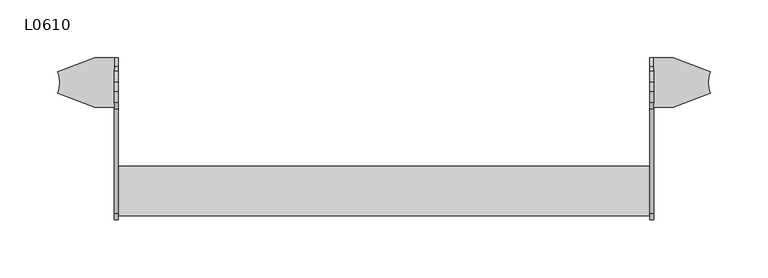
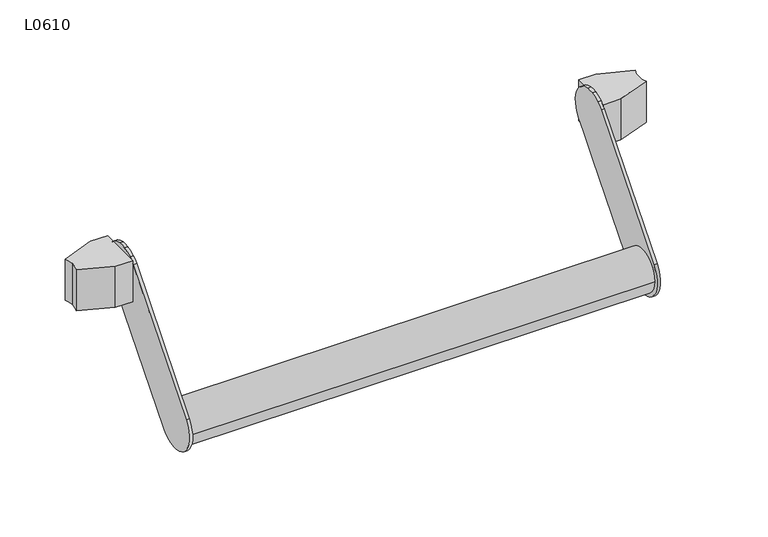
"""IFC4 building model written with IfcOpenShell, lengths in millimetres: proxy geometry, L0610."""

from ifc_helpers import new_model, si_unit, point, frame, frame_2d, origin, place, context, project, spatial, polyline, circle_curve, trimmed, segment, composite_curve, outline, extrude, source, transform, mapped, element, save
from ifc_brep_helpers import plane_surface, cylinder_surface, advanced_brep


def l0610_80b217f6(model_context):
    return source(origin(), model_context, "Body", "SolidModel", [
        extrude(outline(composite_curve([segment(polyline([(537.2841298, -17.9998512), (537.2841298, 25.0001488), (554.3249298, 25.0001488), (586.3669958, 12.8789725)]), True, "CONTINUOUS"), segment(trimmed(circle_curve(frame_2d((608.7841247, 3.5001488)), 24.3), [point((586.3669958, 12.8789725))], [point((584.4841247, 3.5001488))], True, "CARTESIAN"), True, "CONTINUOUS"), segment(trimmed(circle_curve(frame_2d((608.7841247, 3.5001488)), 24.3), [point((584.4841247, 3.5001488))], [point((586.3669958, -5.8786749))], True, "CARTESIAN"), True, "CONTINUOUS"), segment(polyline([(586.3669958, -5.8786749), (554.3249298, -17.9998512), (537.2841298, -17.9998512)]), True, "CONTINUOUS")], self_intersect=False)), frame((0.0, 0.0, -21.5), z_axis=(0.0, 0.0, 1.0), x_axis=(1.0, 0.0, 0.0)), (0.0, 0.0, 1.0), 43.0),
        extrude(outline(composite_curve([segment(polyline([(69.7954674, -17.9998512), (52.7546674, -17.9998512), (20.7126014, -5.8786749)]), True, "CONTINUOUS"), segment(trimmed(circle_curve(frame_2d((-1.7045275, 3.5001488)), 24.3), [point((20.7126014, -5.8786749))], [point((22.5954725, 3.5001488))], True, "CARTESIAN"), True, "CONTINUOUS"), segment(trimmed(circle_curve(frame_2d((-1.7045275, 3.5001488)), 24.3), [point((22.5954725, 3.5001488))], [point((20.7126014, 12.8789725))], True, "CARTESIAN"), True, "CONTINUOUS"), segment(polyline([(20.7126014, 12.8789725), (52.7546674, 25.0001488), (69.7954674, 25.0001488), (69.7954674, -17.9998512)]), True, "CONTINUOUS")], self_intersect=False)), frame((0.0, 0.0, -21.5), z_axis=(0.0, 0.0, 1.0), x_axis=(1.0, 0.0, 0.0)), (0.0, 0.0, 1.0), 43.0),
        advanced_brep(
        [(534.0841023, -71.4170946, -122.0320182), (534.0841023, -109.7540265, -89.9334299), (534.0841023, -19.1532386, 18.0674174), (534.0841023, -13.564759, 23.0001302), (534.0841023, -4.0000184, 26.6780861), (534.0841023, 4.0000533, 26.678085), (534.0841023, 13.5647929, 23.0001265), (534.0841023, 17.5001651, 19.8536704), (534.0841023, 19.1532686, -14.0675085), (534.0841023, 11.6596821, -23.0002552), (534.0841023, 4.0001362, -32.1309487), (534.0841023, -4.000061, -41.6673923), (537.2841298, -71.4170946, -122.0320182), (537.2841298, -4.000061, -41.6673923), (537.2841298, 4.0672955, -32.0506818), (537.2841298, 11.6596821, -23.0002552), (537.2841298, 19.1532686, -14.0675085), (537.2841298, 17.5001651, 19.8536704), (537.2841298, 13.5647929, 23.0001265), (537.2841298, 4.0000533, 26.678085), (537.2841298, -4.0000184, 26.6780861), (537.2841298, -13.564759, 23.0001302), (537.2841298, -19.1532386, 18.0674174), (537.2841298, -109.7540271, -89.9334352)],
        [
            (0, 1, circle_curve(frame((534.0841023, -90.600769, -106.0008883), z_axis=(-1.0, 0.0, 0.0), x_axis=(0.0, 1.0, 0.0)), 25.0002098)),
            (1, 2),
            (2, 3, circle_curve(frame((534.0841023, 1.42e-05, 1.9999535), z_axis=(-1.0, 0.0, 0.0), x_axis=(0.0, 1.0, 0.0)), 25.0002098)),
            (3, 4, circle_curve(frame((534.0841023, 1.42e-05, 1.9999535), z_axis=(-1.0, 0.0, 0.0), x_axis=(0.0, 1.0, 0.0)), 25.0002098)),
            (4, 5, circle_curve(frame((534.0841023, 1.42e-05, 1.9999535), z_axis=(-1.0, 0.0, 0.0), x_axis=(0.0, 1.0, 0.0)), 25.0002098)),
            (5, 6, circle_curve(frame((534.0841023, 1.42e-05, 1.9999535), z_axis=(-1.0, 0.0, 0.0), x_axis=(0.0, 1.0, 0.0)), 25.0002098)),
            (6, 7, circle_curve(frame((534.0841023, 1.42e-05, 1.9999535), z_axis=(-1.0, 0.0, 0.0), x_axis=(0.0, 1.0, 0.0)), 25.0002098)),
            (7, 8, circle_curve(frame((534.0841023, 1.42e-05, 1.9999535), z_axis=(-1.0, 0.0, 0.0), x_axis=(0.0, 1.0, 0.0)), 25.0002098)),
            (8, 9),
            (9, 10),
            (10, 11),
            (11, 0),
            (12, 13),
            (13, 14),
            (14, 15),
            (15, 16),
            (16, 17, circle_curve(frame((537.2841298, 1.42e-05, 1.9999535), z_axis=(1.0, 0.0, 0.0), x_axis=(0.0, 1.0, 0.0)), 25.0002098)),
            (17, 18, circle_curve(frame((537.2841298, 1.42e-05, 1.9999535), z_axis=(1.0, 0.0, 0.0), x_axis=(0.0, 1.0, 0.0)), 25.0002098)),
            (18, 19, circle_curve(frame((537.2841298, 1.42e-05, 1.9999535), z_axis=(1.0, 0.0, 0.0), x_axis=(0.0, 1.0, 0.0)), 25.0002098)),
            (19, 20, circle_curve(frame((537.2841298, 1.42e-05, 1.9999535), z_axis=(1.0, 0.0, 0.0), x_axis=(0.0, 1.0, 0.0)), 25.0002098)),
            (20, 21, circle_curve(frame((537.2841298, 1.42e-05, 1.9999535), z_axis=(1.0, 0.0, 0.0), x_axis=(0.0, 1.0, 0.0)), 25.0002098)),
            (21, 22, circle_curve(frame((537.2841298, 1.42e-05, 1.9999535), z_axis=(1.0, 0.0, 0.0), x_axis=(0.0, 1.0, 0.0)), 25.0002098)),
            (22, 23),
            (23, 12, circle_curve(frame((537.2841298, -90.600769, -106.0008883), z_axis=(1.0, 0.0, 0.0), x_axis=(0.0, 1.0, 0.0)), 25.0002098)),
            (11, 13),
            (12, 0),
            (10, 14),
            (9, 15),
            (8, 16),
            (7, 17),
            (6, 18),
            (5, 19),
            (4, 20),
            (3, 21),
            (2, 22),
            (1, 23),
        ],
        [
            plane_surface(frame((534.0841023, -65.6005592, -106.0008883), z_axis=(-1.0, 0.0, 0.0), x_axis=(0.0, 0.0, -1.0))),
            plane_surface(frame((537.2841298, -65.6005592, -106.0008883), z_axis=(1.0, 0.0, 0.0), x_axis=(0.0, 0.0, 1.0))),
            plane_surface(frame((534.0841023, -4.000061, -41.6673923), z_axis=(0.0, 0.7661237421052067, -0.6426930929944049), x_axis=(1.0, 0.0, 0.0))),
            plane_surface(frame((534.0841023, 4.0672955, -32.0506818), z_axis=(0.0, 0.7661237421052063, -0.6426930929944054), x_axis=(1.0, 0.0, 0.0))),
            plane_surface(frame((534.0841023, 11.6596821, -23.0002552), z_axis=(0.0, 0.76612771316332, -0.6426883592559786), x_axis=(1.0, 0.0, 0.0))),
            plane_surface(frame((534.0841023, 19.1532686, -14.0675085), z_axis=(0.0, 0.7661237488197741, -0.6426930849902898), x_axis=(1.0, 0.0, 0.0))),
            cylinder_surface(frame((537.2841298, 1.42e-05, 1.9999535), z_axis=(-1.0, 0.0, 0.0), x_axis=(0.0, 1.0, 0.0)), 25.0002098),
            plane_surface(frame((534.0841023, -109.7540271, -89.9334352), z_axis=(0.0, -0.7661236823283201, 0.6426931642515699), x_axis=(1.0, 0.0, 0.0))),
            cylinder_surface(frame((537.2841298, -90.600769, -106.0008883), z_axis=(-1.0, 0.0, 0.0), x_axis=(0.0, 1.0, 0.0)), 25.0002098),
        ],
        [
            (0, [[1, 2, 3, 4, 5, 6, 7, 8, 9, 10, 11, 12]]),
            (1, [[13, 14, 15, 16, 17, 18, 19, 20, 21, 22, 23, 24]]),
            (2, [[-12, 25, -13, 26]]),
            (3, [[-11, 27, -14, -25]]),
            (4, [[-10, 28, -15, -27]]),
            (5, [[-9, 29, -16, -28]]),
            (6, [[-8, 30, -17, -29]]),
            (6, [[-7, 31, -18, -30]]),
            (6, [[-6, 32, -19, -31]]),
            (6, [[-5, 33, -20, -32]]),
            (6, [[-4, 34, -21, -33]]),
            (6, [[-3, 35, -22, -34]]),
            (7, [[-2, 36, -23, -35]]),
            (8, [[-1, -26, -24, -36]]),
        ],
    ),
        advanced_brep(
        [(72.9954948, -71.4170946, -122.0320182), (72.9954948, -4.000061, -41.6673923), (72.9954948, 4.0672955, -32.0506818), (72.9954948, 11.6596069, -23.0001922), (72.9954948, 19.1531934, -14.0674454), (72.9954948, 17.5000899, 19.8537334), (72.9954948, 13.5647177, 23.0001896), (72.9954948, 3.9999781, 26.6781481), (72.9954948, -4.0000936, 26.6781492), (72.9954948, -13.5648342, 23.0001932), (72.9954948, -19.1533138, 18.0674805), (72.9954948, -109.7541023, -89.9333721), (69.7954674, -71.4170946, -122.0320182), (69.7954674, -109.7540265, -89.9334299), (69.7954674, -19.1533138, 18.0674805), (69.7954674, -13.5648342, 23.0001932), (69.7954674, -4.0000936, 26.6781492), (69.7954674, 3.9999781, 26.6781481), (69.7954674, 13.5647177, 23.0001896), (69.7954674, 17.5000899, 19.8537334), (69.7954674, 19.1531934, -14.0674454), (69.7954674, 11.6596069, -23.0001922), (69.7954674, 4.000061, -32.1308856), (69.7954674, -4.000061, -41.6673923)],
        [
            (0, 1),
            (1, 2),
            (2, 3),
            (3, 4),
            (4, 5, circle_curve(frame((72.9954948, -6.1e-05, 2.0000166), z_axis=(1.0, 0.0, 0.0), x_axis=(0.0, 1.0, 0.0)), 25.0002098)),
            (5, 6, circle_curve(frame((72.9954948, -6.1e-05, 2.0000166), z_axis=(1.0, 0.0, 0.0), x_axis=(0.0, 1.0, 0.0)), 25.0002098)),
            (6, 7, circle_curve(frame((72.9954948, -6.1e-05, 2.0000166), z_axis=(1.0, 0.0, 0.0), x_axis=(0.0, 1.0, 0.0)), 25.0002098)),
            (7, 8, circle_curve(frame((72.9954948, -6.1e-05, 2.0000166), z_axis=(1.0, 0.0, 0.0), x_axis=(0.0, 1.0, 0.0)), 25.0002098)),
            (8, 9, circle_curve(frame((72.9954948, -6.1e-05, 2.0000166), z_axis=(1.0, 0.0, 0.0), x_axis=(0.0, 1.0, 0.0)), 25.0002098)),
            (9, 10, circle_curve(frame((72.9954948, -6.1e-05, 2.0000166), z_axis=(1.0, 0.0, 0.0), x_axis=(0.0, 1.0, 0.0)), 25.0002098)),
            (10, 11),
            (11, 0, circle_curve(frame((72.9954948, -90.600769, -106.0008883), z_axis=(1.0, 0.0, 0.0), x_axis=(0.0, 1.0, 0.0)), 25.0002098)),
            (12, 13, circle_curve(frame((69.7954674, -90.600769, -106.0008883), z_axis=(-1.0, 0.0, 0.0), x_axis=(0.0, 1.0, 0.0)), 25.0002098)),
            (13, 14),
            (14, 15, circle_curve(frame((69.7954674, -6.1e-05, 2.0000166), z_axis=(-1.0, 0.0, 0.0), x_axis=(0.0, 1.0, 0.0)), 25.0002098)),
            (15, 16, circle_curve(frame((69.7954674, -6.1e-05, 2.0000166), z_axis=(-1.0, 0.0, 0.0), x_axis=(0.0, 1.0, 0.0)), 25.0002098)),
            (16, 17, circle_curve(frame((69.7954674, -6.1e-05, 2.0000166), z_axis=(-1.0, 0.0, 0.0), x_axis=(0.0, 1.0, 0.0)), 25.0002098)),
            (17, 18, circle_curve(frame((69.7954674, -6.1e-05, 2.0000166), z_axis=(-1.0, 0.0, 0.0), x_axis=(0.0, 1.0, 0.0)), 25.0002098)),
            (18, 19, circle_curve(frame((69.7954674, -6.1e-05, 2.0000166), z_axis=(-1.0, 0.0, 0.0), x_axis=(0.0, 1.0, 0.0)), 25.0002098)),
            (19, 20, circle_curve(frame((69.7954674, -6.1e-05, 2.0000166), z_axis=(-1.0, 0.0, 0.0), x_axis=(0.0, 1.0, 0.0)), 25.0002098)),
            (20, 21),
            (21, 22),
            (22, 23),
            (23, 12),
            (0, 12),
            (23, 1),
            (22, 2),
            (21, 3),
            (20, 4),
            (19, 5),
            (18, 6),
            (17, 7),
            (16, 8),
            (15, 9),
            (14, 10),
            (13, 11),
        ],
        [
            plane_surface(frame((72.9954948, -71.4475708, -122.0683475), z_axis=(1.0, 0.0, 0.0), x_axis=(0.0, 0.6426930929944049, 0.7661237421052067))),
            plane_surface(frame((69.7954674, -71.4475708, -122.0683475), z_axis=(-1.0, 0.0, 0.0), x_axis=(0.0, -0.6426930929944049, -0.7661237421052067))),
            plane_surface(frame((72.9954948, -71.4170946, -122.0320182), z_axis=(0.0, 0.7661237421052067, -0.6426930929944049), x_axis=(-1.0, 0.0, 0.0))),
            plane_surface(frame((72.9954948, -4.000061, -41.6673923), z_axis=(0.0, 0.7661237421052066, -0.642693092994405), x_axis=(-1.0, 0.0, 0.0))),
            plane_surface(frame((72.9954948, 4.000061, -32.1308856), z_axis=(0.0, 0.76612771316332, -0.6426883592559786), x_axis=(-1.0, 0.0, 0.0))),
            plane_surface(frame((72.9954948, 11.6596069, -23.0001922), z_axis=(0.0, 0.7661237488197741, -0.6426930849902898), x_axis=(-1.0, 0.0, 0.0))),
            cylinder_surface(frame((69.7954674, -6.1e-05, 2.0000166), z_axis=(1.0, 0.0, 0.0), x_axis=(0.0, 1.0, 0.0)), 25.0002098),
            plane_surface(frame((72.9954948, -19.1533138, 18.0674805), z_axis=(0.0, -0.7661236823284079, 0.6426931642514652), x_axis=(-1.0, 0.0, 0.0))),
            cylinder_surface(frame((69.7954674, -90.600769, -106.0008883), z_axis=(1.0, 0.0, 0.0), x_axis=(0.0, 1.0, 0.0)), 25.0002098),
        ],
        [
            (0, [[1, 2, 3, 4, 5, 6, 7, 8, 9, 10, 11, 12]]),
            (1, [[13, 14, 15, 16, 17, 18, 19, 20, 21, 22, 23, 24]]),
            (2, [[-1, 25, -24, 26]]),
            (3, [[-2, -26, -23, 27]]),
            (4, [[-3, -27, -22, 28]]),
            (5, [[-4, -28, -21, 29]]),
            (6, [[-5, -29, -20, 30]]),
            (6, [[-6, -30, -19, 31]]),
            (6, [[-7, -31, -18, 32]]),
            (6, [[-8, -32, -17, 33]]),
            (6, [[-9, -33, -16, 34]]),
            (6, [[-10, -34, -15, 35]]),
            (7, [[-11, -35, -14, 36]]),
            (8, [[-12, -36, -13, -25]]),
        ],
    ),
        extrude(outline(composite_curve([segment(trimmed(circle_curve(frame_2d((-90.6008005, -106.000888)), 21.35), [point((-111.9508005, -106.000888))], [point((-69.2508005, -106.000888))], False, "CARTESIAN"), True, "CONTINUOUS"), segment(trimmed(circle_curve(frame_2d((-90.6008005, -106.000888)), 21.35), [point((-69.2508005, -106.000888))], [point((-111.9508005, -106.000888))], False, "CARTESIAN"), True, "CONTINUOUS")], self_intersect=False)), frame((72.9954948, 0.0, 0.0), z_axis=(1.0, 0.0, 0.0), x_axis=(0.0, 1.0, 0.0)), (0.0, 0.0, 1.0), 461.0886075),
    ])


if __name__ == "__main__":
    model = new_model("IFC4")
    model_context = context("Model", 3, world=origin())
    ifc_project = project(units=[si_unit("LENGTHUNIT", "METRE", prefix="MILLI")], contexts=[model_context])
    site = spatial("IfcSite", under=ifc_project)
    building = spatial("IfcBuilding", under=site)
    placement = place(None, origin())
    l0610_shape = l0610_80b217f6(model_context)
    element("IfcBuildingElementProxy", 1, Name="L0610", ObjectType="L0610", at=placement, inside=building, context=model_context, shape_type="MappedRepresentation", body=[
        mapped(l0610_shape, transform((0.0, 0.0, 0.0), x_axis=(1.0, 0.0, 0.0), y_axis=(0.0, 1.0, 0.0), z_axis=(0.0, 0.0, 1.0))),
    ])
    save(model, "model.ifc")
